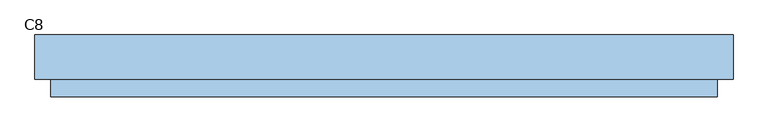
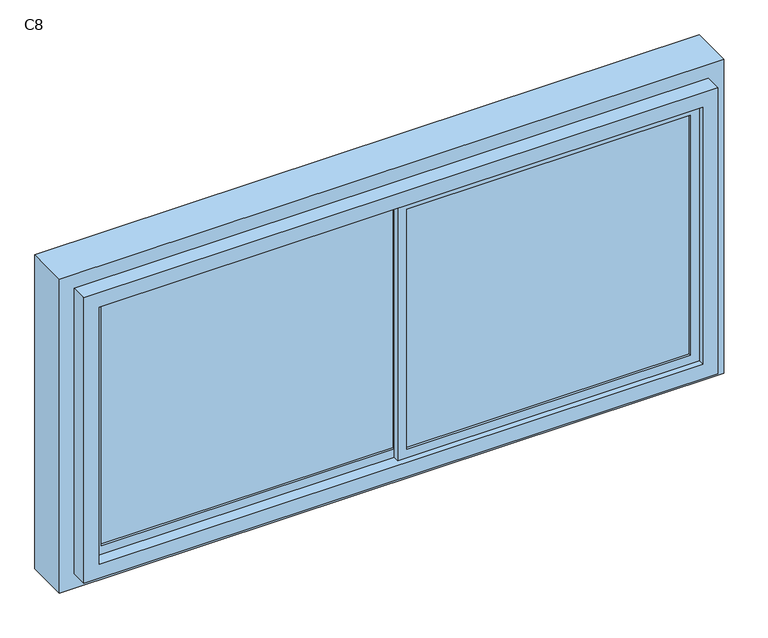
"""IFC4 building model written with IfcOpenShell, lengths in millimetres: window geometry, C8."""

from ifc_helpers import new_model, si_unit, frame, origin, place, context, project, spatial, polyline, outline, extrude, source, transform, mapped, element, save


def c8_50fd609d(model_context):
    return source(origin(), model_context, "Body", "SweptSolid", [
        extrude(outline(polyline([(0.0, 13.0), (0.0, 7.0), (-970.0, 7.0), (-970.0, 13.0), (0.0, 13.0)])), frame((0.0, 0.0, 880.0), z_axis=(0.0, 0.0, 1.0), x_axis=(1.0, 0.0, 0.0)), (0.0, 0.0, 1.0), 840.0),
        extrude(outline(polyline([(970.0, -7.0), (970.0, -13.0), (30.0, -13.0), (30.0, -7.0), (970.0, -7.0)])), frame((0.0, 0.0, 880.0), z_axis=(0.0, 0.0, 1.0), x_axis=(1.0, 0.0, 0.0)), (0.0, 0.0, 1.0), 840.0),
        extrude(outline(polyline([(1750.0, 0.0), (850.0, 0.0), (850.0, 1000.0), (1750.0, 1000.0), (1750.0, 0.0)]), holes=[polyline([(1720.0, 970.0), (880.0, 970.0), (880.0, 30.0), (1720.0, 30.0), (1720.0, 970.0)])]), frame((0.0, -20.0, 0.0), z_axis=(0.0, 1.0, 0.0), x_axis=(0.0, 0.0, 1.0)), (0.0, 0.0, 1.0), 20.0),
        extrude(outline(polyline([(1750.0, -1000.0), (850.0, -1000.0), (850.0, 30.0), (1750.0, 30.0), (1750.0, -1000.0)]), holes=[polyline([(1720.0, 0.0), (880.0, 0.0), (880.0, -970.0), (1720.0, -970.0), (1720.0, 0.0)])]), frame((0.0, 0.0, 0.0), z_axis=(0.0, 1.0, 0.0), x_axis=(0.0, 0.0, 1.0)), (0.0, 0.0, 1.0), 20.0),
        extrude(outline(polyline([(1800.0, -1050.0), (800.0, -1050.0), (800.0, 1050.0), (1800.0, 1050.0), (1800.0, -1050.0)]), holes=[polyline([(1750.0, 1000.0), (850.0, 1000.0), (850.0, -1000.0), (1750.0, -1000.0), (1750.0, 1000.0)])]), frame((0.0, -40.0, 0.0), z_axis=(0.0, 1.0, 0.0), x_axis=(0.0, 0.0, 1.0)), (0.0, 0.0, 1.0), 55.0),
        extrude(outline(polyline([(1850.0, -1100.0), (750.0, -1100.0), (750.0, 1100.0), (1850.0, 1100.0), (1850.0, -1100.0)]), holes=[polyline([(1800.0, 1050.0), (800.0, 1050.0), (800.0, -1050.0), (1800.0, -1050.0), (1800.0, 1050.0)])]), frame((0.0, 15.0, 0.0), z_axis=(0.0, 1.0, 0.0), x_axis=(0.0, 0.0, 1.0)), (0.0, 0.0, 1.0), 140.0),
    ])


if __name__ == "__main__":
    model = new_model("IFC4")
    model_context = context("Model", 3, world=origin())
    ifc_project = project(units=[si_unit("LENGTHUNIT", "METRE", prefix="MILLI")], contexts=[model_context])
    site = spatial("IfcSite", under=ifc_project)
    building = spatial("IfcBuilding", under=site)
    placement = place(None, origin())
    c8_shape = c8_50fd609d(model_context)
    element("IfcWindow", 1, ObjectType="C8", at=placement, inside=building, context=model_context, shape_type="MappedRepresentation", body=[
        mapped(c8_shape, transform((0.0, 0.0, 0.0), x_axis=(1.0, 0.0, 0.0), y_axis=(0.0, 1.0, 0.0), z_axis=(0.0, 0.0, 1.0))),
    ])
    save(model, "model.ifc")
